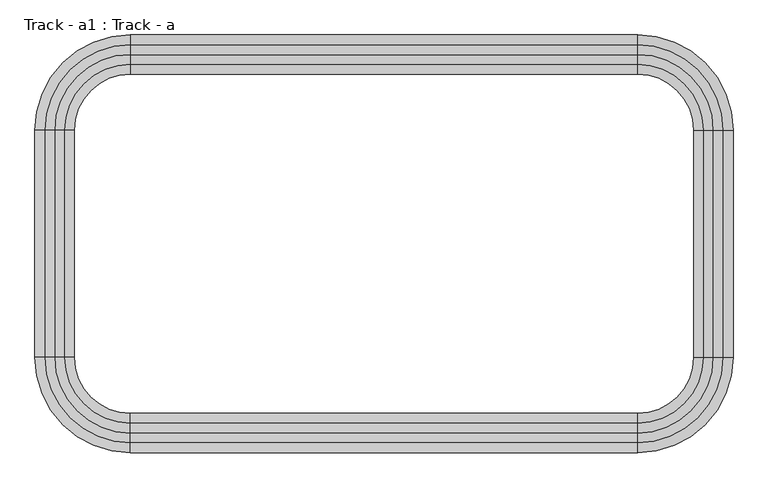
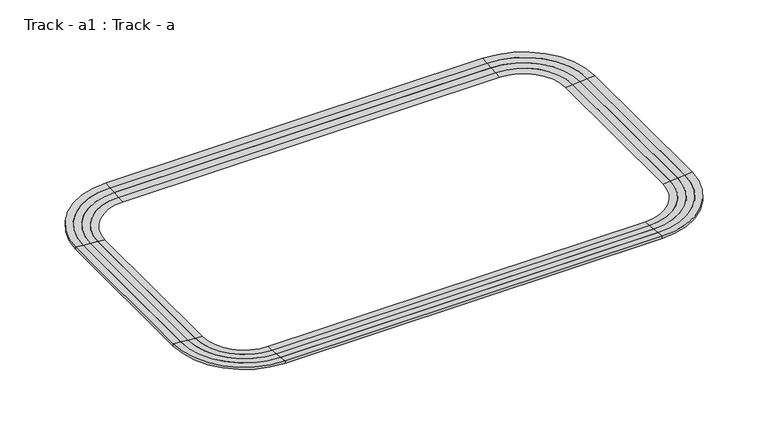
"""IFC4 building model written with IfcOpenShell, lengths in millimetres: proxy geometry, Track - a1 : Track - a."""

from ifc_helpers import new_model, si_unit, frame, origin, place, context, project, spatial, polyline, circle_curve, source, transform, mapped, element, save
from ifc_brep_helpers import plane_surface, cylinder_surface, revolved_surface, advanced_brep


def track_a1_track_a_c734c38e(model_context):
    return source(origin(), model_context, "Body", "AdvancedBrep", [
        advanced_brep(
        [(157576.6254676, -323977.8080223, 4775.2), (147213.4254676, -313614.6080223, 4775.2), (147213.4254676, -314681.4080223, 4686.3), (156509.8254676, -323977.8080223, 4686.3), (157576.6254676, -323977.8080223, 4419.6), (147213.4254676, -313614.6080223, 4419.6), (147213.4254676, -314681.4080223, 4419.6), (156509.8254676, -323977.8080223, 4419.6), (156509.8254676, -348666.6080223, 4686.3), (157576.6254676, -348666.6080223, 4775.2), (157576.6254676, -348666.6080223, 4419.6), (156509.8254676, -348666.6080223, 4419.6), (147213.4254676, -359029.8080223, 4775.2), (147213.4254676, -357963.0080223, 4686.3), (147213.4254676, -359029.8080223, 4419.6), (147213.4254676, -357963.0080223, 4419.6), (92044.6254676, -357963.0080223, 4686.3), (92044.6254676, -359029.8080223, 4775.2), (92044.6254676, -359029.8080223, 4419.6), (92044.6254676, -357963.0080223, 4419.6), (81681.4254676, -348666.6080223, 4775.2), (82748.2254676, -348666.6080223, 4686.3), (81681.4254676, -348666.6080223, 4419.6), (82748.2254676, -348666.6080223, 4419.6), (82748.2254676, -323977.8080223, 4686.3), (81681.4254676, -323977.8080223, 4775.2), (81681.4254676, -323977.8080223, 4419.6), (82748.2254676, -323977.8080223, 4419.6), (92044.6254676, -313614.6080223, 4775.2), (92044.6254676, -314681.4080223, 4686.3), (92044.6254676, -313614.6080223, 4419.6), (92044.6254676, -314681.4080223, 4419.6)],
        [
            (0, 1, circle_curve(frame((147213.4254676, -323977.8080223, 4775.2), z_axis=(0.0, 0.0, 1.0), x_axis=(0.0, 1.0, 0.0)), 10363.2)),
            (1, 2),
            (2, 3, circle_curve(frame((147213.4254676, -323977.8080223, 4686.3), z_axis=(0.0, 0.0, -1.0), x_axis=(0.0, 1.0, 0.0)), 9296.4)),
            (3, 0),
            (4, 5, circle_curve(frame((147213.4254676, -323977.8080223, 4419.6), z_axis=(0.0, 0.0, 1.0), x_axis=(0.0, 1.0, 0.0)), 10363.2)),
            (5, 1),
            (0, 4),
            (2, 6),
            (6, 7, circle_curve(frame((147213.4254676, -323977.8080223, 4419.6), z_axis=(0.0, 0.0, -1.0), x_axis=(0.0, 1.0, 0.0)), 9296.4)),
            (7, 3),
            (3, 8),
            (8, 9),
            (9, 0),
            (9, 10),
            (10, 4),
            (7, 11),
            (11, 8),
            (12, 9, circle_curve(frame((147213.4254676, -348666.6080223, 4775.2), z_axis=(0.0, 0.0, 1.0), x_axis=(1.0, 0.0, 0.0)), 10363.2)),
            (8, 13, circle_curve(frame((147213.4254676, -348666.6080223, 4686.3), z_axis=(0.0, 0.0, -1.0), x_axis=(1.0, 0.0, 0.0)), 9296.4)),
            (13, 12),
            (14, 10, circle_curve(frame((147213.4254676, -348666.6080223, 4419.6), z_axis=(0.0, 0.0, 1.0), x_axis=(1.0, 0.0, 0.0)), 10363.2)),
            (12, 14),
            (11, 15, circle_curve(frame((147213.4254676, -348666.6080223, 4419.6), z_axis=(0.0, 0.0, -1.0), x_axis=(1.0, 0.0, 0.0)), 9296.4)),
            (15, 13),
            (13, 16),
            (16, 17),
            (17, 12),
            (17, 18),
            (18, 14),
            (15, 19),
            (19, 16),
            (20, 17, circle_curve(frame((92044.6254676, -348666.6080223, 4775.2), z_axis=(0.0, 0.0, 1.0), x_axis=(0.0, -1.0, 0.0)), 10363.2)),
            (16, 21, circle_curve(frame((92044.6254676, -348666.6080223, 4686.3), z_axis=(0.0, 0.0, -1.0), x_axis=(0.0, -1.0, 0.0)), 9296.4)),
            (21, 20),
            (22, 18, circle_curve(frame((92044.6254676, -348666.6080223, 4419.6), z_axis=(0.0, 0.0, 1.0), x_axis=(0.0, -1.0, 0.0)), 10363.2)),
            (20, 22),
            (19, 23, circle_curve(frame((92044.6254676, -348666.6080223, 4419.6), z_axis=(0.0, 0.0, -1.0), x_axis=(0.0, -1.0, 0.0)), 9296.4)),
            (23, 21),
            (21, 24),
            (24, 25),
            (25, 20),
            (25, 26),
            (26, 22),
            (23, 27),
            (27, 24),
            (28, 25, circle_curve(frame((92044.6254676, -323977.8080223, 4775.2), z_axis=(0.0, 0.0, 1.0), x_axis=(-1.0, 0.0, 0.0)), 10363.2)),
            (24, 29, circle_curve(frame((92044.6254676, -323977.8080223, 4686.3), z_axis=(0.0, 0.0, -1.0), x_axis=(-1.0, 0.0, 0.0)), 9296.4)),
            (29, 28),
            (30, 26, circle_curve(frame((92044.6254676, -323977.8080223, 4419.6), z_axis=(0.0, 0.0, 1.0), x_axis=(-1.0, 0.0, 0.0)), 10363.2)),
            (28, 30),
            (27, 31, circle_curve(frame((92044.6254676, -323977.8080223, 4419.6), z_axis=(0.0, 0.0, -1.0), x_axis=(-1.0, 0.0, 0.0)), 9296.4)),
            (31, 29),
            (29, 2),
            (1, 28),
            (5, 30),
            (6, 31),
        ],
        [
            revolved_surface(polyline([(147213.4254676, -314681.4080223, 4686.3), (147213.4254676, -313614.6080223, 4775.2)]), (147213.4254676, -323977.8080223, 0.0), (0.0, 0.0, -1.0)),
            cylinder_surface(frame((147213.4254676, -323977.8080223, 0.0), z_axis=(0.0, 0.0, -1.0), x_axis=(0.0, 1.0, 0.0)), 10363.2),
            revolved_surface(polyline([(147213.4254676, -314681.4080223, 4419.6), (147213.4254676, -314681.4080223, 4686.3)]), (147213.4254676, -323977.8080223, 0.0), (0.0, 0.0, -1.0)),
            plane_surface(frame((156509.8254676, -323977.8080223, 4686.3), z_axis=(-0.08304547985373159, 0.0, 0.9965457582448803), x_axis=(0.0, -1.0, 0.0))),
            plane_surface(frame((157576.6254676, -323977.8080223, 4775.2), z_axis=(1.0, 0.0, 0.0), x_axis=(0.0, -1.0, 0.0))),
            plane_surface(frame((156509.8254676, -323977.8080223, 4419.6), z_axis=(-1.0, 0.0, 0.0), x_axis=(0.0, -1.0, 0.0))),
            revolved_surface(polyline([(156509.8254676, -348666.6080223, 4686.3), (157576.6254676, -348666.6080223, 4775.2)]), (147213.4254676, -348666.6080223, 0.0), (0.0, 0.0, -1.0)),
            cylinder_surface(frame((147213.4254676, -348666.6080223, 0.0), z_axis=(0.0, 0.0, -1.0), x_axis=(1.0, 0.0, 0.0)), 10363.2),
            revolved_surface(polyline([(156509.8254676, -348666.6080223, 4419.6), (156509.8254676, -348666.6080223, 4686.3)]), (147213.4254676, -348666.6080223, 0.0), (0.0, 0.0, -1.0)),
            plane_surface(frame((147213.4254676, -357963.0080223, 4686.3), z_axis=(0.0, 0.08304547985373159, 0.9965457582448803), x_axis=(-1.0, 0.0, 0.0))),
            plane_surface(frame((147213.4254676, -359029.8080223, 4775.2), z_axis=(0.0, -1.0, 0.0), x_axis=(-1.0, 0.0, 0.0))),
            plane_surface(frame((147213.4254676, -357963.0080223, 4419.6), z_axis=(0.0, 1.0, 0.0), x_axis=(-1.0, 0.0, 0.0))),
            revolved_surface(polyline([(92044.6254676, -357963.0080223, 4686.3), (92044.6254676, -359029.8080223, 4775.2)]), (92044.6254676, -348666.6080223, 0.0), (0.0, 0.0, -1.0)),
            cylinder_surface(frame((92044.6254676, -348666.6080223, 0.0), z_axis=(0.0, 0.0, -1.0), x_axis=(0.0, -1.0, 0.0)), 10363.2),
            revolved_surface(polyline([(92044.6254676, -357963.0080223, 4419.6), (92044.6254676, -357963.0080223, 4686.3)]), (92044.6254676, -348666.6080223, 0.0), (0.0, 0.0, -1.0)),
            plane_surface(frame((82748.2254676, -348666.6080223, 4686.3), z_axis=(0.08304547985373159, 0.0, 0.9965457582448803), x_axis=(0.0, 1.0, 0.0))),
            plane_surface(frame((81681.4254676, -348666.6080223, 4775.2), z_axis=(-1.0, 0.0, 0.0), x_axis=(0.0, 1.0, 0.0))),
            plane_surface(frame((82748.2254676, -348666.6080223, 4419.6), z_axis=(1.0, 0.0, 0.0), x_axis=(0.0, 1.0, 0.0))),
            revolved_surface(polyline([(82748.2254676, -323977.8080223, 4686.3), (81681.4254676, -323977.8080223, 4775.2)]), (92044.6254676, -323977.8080223, 0.0), (0.0, 0.0, -1.0)),
            cylinder_surface(frame((92044.6254676, -323977.8080223, 0.0), z_axis=(0.0, 0.0, -1.0), x_axis=(-1.0, 0.0, 0.0)), 10363.2),
            revolved_surface(polyline([(82748.2254676, -323977.8080223, 4419.6), (82748.2254676, -323977.8080223, 4686.3)]), (92044.6254676, -323977.8080223, 0.0), (0.0, 0.0, -1.0)),
            plane_surface(frame((92044.6254676, -314681.4080223, 4686.3), z_axis=(0.0, -0.08304547985373159, 0.9965457582448803), x_axis=(1.0, 0.0, 0.0))),
            plane_surface(frame((92044.6254676, -313614.6080223, 4775.2), z_axis=(0.0, 1.0, 0.0), x_axis=(1.0, 0.0, 0.0))),
            plane_surface(frame((92044.6254676, -313614.6080223, 4419.6), z_axis=(0.0, 0.0, -1.0), x_axis=(1.0, 0.0, 0.0))),
            plane_surface(frame((92044.6254676, -314681.4080223, 4419.6), z_axis=(0.0, -1.0, 0.0), x_axis=(1.0, 0.0, 0.0))),
        ],
        [
            (0, [[1, 2, 3, 4]]),
            (1, [[5, 6, -1, 7]]),
            (2, [[-3, 8, 9, 10]]),
            (3, [[-4, 11, 12, 13]]),
            (4, [[-7, -13, 14, 15]]),
            (5, [[-10, 16, 17, -11]]),
            (6, [[18, -12, 19, 20]]),
            (7, [[21, -14, -18, 22]]),
            (8, [[-19, -17, 23, 24]]),
            (9, [[-20, 25, 26, 27]]),
            (10, [[-22, -27, 28, 29]]),
            (11, [[-24, 30, 31, -25]]),
            (12, [[32, -26, 33, 34]]),
            (13, [[35, -28, -32, 36]]),
            (14, [[-33, -31, 37, 38]]),
            (15, [[-34, 39, 40, 41]]),
            (16, [[-36, -41, 42, 43]]),
            (17, [[-38, 44, 45, -39]]),
            (18, [[46, -40, 47, 48]]),
            (19, [[49, -42, -46, 50]]),
            (20, [[-47, -45, 51, 52]]),
            (21, [[-48, 53, -2, 54]]),
            (22, [[-50, -54, -6, 55]]),
            (23, [[-43, -49, -55, -5, -15, -21, -29, -35], [56, -51, -44, -37, -30, -23, -16, -9]]),
            (24, [[-52, -56, -8, -53]]),
        ],
    ),
        advanced_brep(
        [(156509.8254676, -323977.8080223, 4686.3), (147213.4254676, -314681.4080223, 4686.3), (147213.4254676, -315748.2080223, 4597.4), (155443.0254676, -323977.8080223, 4597.4), (156509.8254676, -323977.8080223, 4419.6), (147213.4254676, -314681.4080223, 4419.6), (147213.4254676, -315748.2080223, 4419.6), (155443.0254676, -323977.8080223, 4419.6), (155443.0254676, -348666.6080223, 4597.4), (156509.8254676, -348666.6080223, 4686.3), (156509.8254676, -348666.6080223, 4419.6), (155443.0254676, -348666.6080223, 4419.6), (147213.4254676, -357963.0080223, 4686.3), (147213.4254676, -356896.2080223, 4597.4), (147213.4254676, -357963.0080223, 4419.6), (147213.4254676, -356896.2080223, 4419.6), (92044.6254676, -356896.2080223, 4597.4), (92044.6254676, -357963.0080223, 4686.3), (92044.6254676, -357963.0080223, 4419.6), (92044.6254676, -356896.2080223, 4419.6), (82748.2254676, -348666.6080223, 4686.3), (83815.0254676, -348666.6080223, 4597.4), (82748.2254676, -348666.6080223, 4419.6), (83815.0254676, -348666.6080223, 4419.6), (83815.0254676, -323977.8080223, 4597.4), (82748.2254676, -323977.8080223, 4686.3), (82748.2254676, -323977.8080223, 4419.6), (83815.0254676, -323977.8080223, 4419.6), (92044.6254676, -314681.4080223, 4686.3), (92044.6254676, -315748.2080223, 4597.4), (92044.6254676, -314681.4080223, 4419.6), (92044.6254676, -315748.2080223, 4419.6)],
        [
            (0, 1, circle_curve(frame((147213.4254676, -323977.8080223, 4686.3), z_axis=(0.0, 0.0, 1.0), x_axis=(0.0, 1.0, 0.0)), 9296.4)),
            (1, 2),
            (2, 3, circle_curve(frame((147213.4254676, -323977.8080223, 4597.4), z_axis=(0.0, 0.0, -1.0), x_axis=(0.0, 1.0, 0.0)), 8229.6)),
            (3, 0),
            (4, 5, circle_curve(frame((147213.4254676, -323977.8080223, 4419.6), z_axis=(0.0, 0.0, 1.0), x_axis=(0.0, 1.0, 0.0)), 9296.4)),
            (5, 1),
            (0, 4),
            (2, 6),
            (6, 7, circle_curve(frame((147213.4254676, -323977.8080223, 4419.6), z_axis=(0.0, 0.0, -1.0), x_axis=(0.0, 1.0, 0.0)), 8229.6)),
            (7, 3),
            (3, 8),
            (8, 9),
            (9, 0),
            (9, 10),
            (10, 4),
            (7, 11),
            (11, 8),
            (12, 9, circle_curve(frame((147213.4254676, -348666.6080223, 4686.3), z_axis=(0.0, 0.0, 1.0), x_axis=(1.0, 0.0, 0.0)), 9296.4)),
            (8, 13, circle_curve(frame((147213.4254676, -348666.6080223, 4597.4), z_axis=(0.0, 0.0, -1.0), x_axis=(1.0, 0.0, 0.0)), 8229.6)),
            (13, 12),
            (14, 10, circle_curve(frame((147213.4254676, -348666.6080223, 4419.6), z_axis=(0.0, 0.0, 1.0), x_axis=(1.0, 0.0, 0.0)), 9296.4)),
            (12, 14),
            (11, 15, circle_curve(frame((147213.4254676, -348666.6080223, 4419.6), z_axis=(0.0, 0.0, -1.0), x_axis=(1.0, 0.0, 0.0)), 8229.6)),
            (15, 13),
            (13, 16),
            (16, 17),
            (17, 12),
            (17, 18),
            (18, 14),
            (15, 19),
            (19, 16),
            (20, 17, circle_curve(frame((92044.6254676, -348666.6080223, 4686.3), z_axis=(0.0, 0.0, 1.0), x_axis=(0.0, -1.0, 0.0)), 9296.4)),
            (16, 21, circle_curve(frame((92044.6254676, -348666.6080223, 4597.4), z_axis=(0.0, 0.0, -1.0), x_axis=(0.0, -1.0, 0.0)), 8229.6)),
            (21, 20),
            (22, 18, circle_curve(frame((92044.6254676, -348666.6080223, 4419.6), z_axis=(0.0, 0.0, 1.0), x_axis=(0.0, -1.0, 0.0)), 9296.4)),
            (20, 22),
            (19, 23, circle_curve(frame((92044.6254676, -348666.6080223, 4419.6), z_axis=(0.0, 0.0, -1.0), x_axis=(0.0, -1.0, 0.0)), 8229.6)),
            (23, 21),
            (21, 24),
            (24, 25),
            (25, 20),
            (25, 26),
            (26, 22),
            (23, 27),
            (27, 24),
            (28, 25, circle_curve(frame((92044.6254676, -323977.8080223, 4686.3), z_axis=(0.0, 0.0, 1.0), x_axis=(-1.0, 0.0, 0.0)), 9296.4)),
            (24, 29, circle_curve(frame((92044.6254676, -323977.8080223, 4597.4), z_axis=(0.0, 0.0, -1.0), x_axis=(-1.0, 0.0, 0.0)), 8229.6)),
            (29, 28),
            (30, 26, circle_curve(frame((92044.6254676, -323977.8080223, 4419.6), z_axis=(0.0, 0.0, 1.0), x_axis=(-1.0, 0.0, 0.0)), 9296.4)),
            (28, 30),
            (27, 31, circle_curve(frame((92044.6254676, -323977.8080223, 4419.6), z_axis=(0.0, 0.0, -1.0), x_axis=(-1.0, 0.0, 0.0)), 8229.6)),
            (31, 29),
            (29, 2),
            (1, 28),
            (5, 30),
            (6, 31),
        ],
        [
            revolved_surface(polyline([(147213.4254676, -315748.2080223, 4597.4), (147213.4254676, -314681.4080223, 4686.3)]), (147213.4254676, -323977.8080223, 0.0), (0.0, 0.0, -1.0)),
            cylinder_surface(frame((147213.4254676, -323977.8080223, 0.0), z_axis=(0.0, 0.0, -1.0), x_axis=(0.0, 1.0, 0.0)), 9296.4),
            revolved_surface(polyline([(147213.4254676, -315748.20802230004, 4419.6), (147213.4254676, -315748.20802230004, 4597.4)]), (147213.4254676, -323977.8080223, 0.0), (0.0, 0.0, -1.0)),
            plane_surface(frame((155443.0254676, -323977.8080223, 4597.4), z_axis=(-0.08304547985373473, 0.0, 0.9965457582448801), x_axis=(0.0, -1.0, 0.0))),
            plane_surface(frame((156509.8254676, -323977.8080223, 4686.3), z_axis=(1.0, 0.0, 0.0), x_axis=(0.0, -1.0, 0.0))),
            plane_surface(frame((155443.0254676, -323977.8080223, 4419.6), z_axis=(-1.0, 0.0, 0.0), x_axis=(0.0, -1.0, 0.0))),
            revolved_surface(polyline([(155443.0254676, -348666.6080223, 4597.4), (156509.8254676, -348666.6080223, 4686.3)]), (147213.4254676, -348666.6080223, 0.0), (0.0, 0.0, -1.0)),
            cylinder_surface(frame((147213.4254676, -348666.6080223, 0.0), z_axis=(0.0, 0.0, -1.0), x_axis=(1.0, 0.0, 0.0)), 9296.4),
            revolved_surface(polyline([(155443.0254676, -348666.6080223, 4419.6), (155443.0254676, -348666.6080223, 4597.4)]), (147213.4254676, -348666.6080223, 0.0), (0.0, 0.0, -1.0)),
            plane_surface(frame((147213.4254676, -356896.2080223, 4597.4), z_axis=(0.0, 0.08304547985373473, 0.9965457582448801), x_axis=(-1.0, 0.0, 0.0))),
            plane_surface(frame((147213.4254676, -357963.0080223, 4686.3), z_axis=(0.0, -1.0, 0.0), x_axis=(-1.0, 0.0, 0.0))),
            plane_surface(frame((147213.4254676, -356896.2080223, 4419.6), z_axis=(0.0, 1.0, 0.0), x_axis=(-1.0, 0.0, 0.0))),
            revolved_surface(polyline([(92044.6254676, -356896.2080223, 4597.4), (92044.6254676, -357963.0080223, 4686.3)]), (92044.6254676, -348666.6080223, 0.0), (0.0, 0.0, -1.0)),
            cylinder_surface(frame((92044.6254676, -348666.6080223, 0.0), z_axis=(0.0, 0.0, -1.0), x_axis=(0.0, -1.0, 0.0)), 9296.4),
            revolved_surface(polyline([(92044.6254676, -356896.2080223, 4419.6), (92044.6254676, -356896.2080223, 4597.4)]), (92044.6254676, -348666.6080223, 0.0), (0.0, 0.0, -1.0)),
            plane_surface(frame((83815.0254676, -348666.6080223, 4597.4), z_axis=(0.08304547985373473, 0.0, 0.9965457582448801), x_axis=(0.0, 1.0, 0.0))),
            plane_surface(frame((82748.2254676, -348666.6080223, 4686.3), z_axis=(-1.0, 0.0, 0.0), x_axis=(0.0, 1.0, 0.0))),
            plane_surface(frame((83815.0254676, -348666.6080223, 4419.6), z_axis=(1.0, 0.0, 0.0), x_axis=(0.0, 1.0, 0.0))),
            revolved_surface(polyline([(83815.0254676, -323977.8080223, 4597.4), (82748.2254676, -323977.8080223, 4686.3)]), (92044.6254676, -323977.8080223, 0.0), (0.0, 0.0, -1.0)),
            cylinder_surface(frame((92044.6254676, -323977.8080223, 0.0), z_axis=(0.0, 0.0, -1.0), x_axis=(-1.0, 0.0, 0.0)), 9296.4),
            revolved_surface(polyline([(83815.02546759999, -323977.8080223, 4419.6), (83815.02546759999, -323977.8080223, 4597.4)]), (92044.6254676, -323977.8080223, 0.0), (0.0, 0.0, -1.0)),
            plane_surface(frame((92044.6254676, -315748.2080223, 4597.4), z_axis=(0.0, -0.08304547985373473, 0.9965457582448801), x_axis=(1.0, 0.0, 0.0))),
            plane_surface(frame((92044.6254676, -314681.4080223, 4686.3), z_axis=(0.0, 1.0, 0.0), x_axis=(1.0, 0.0, 0.0))),
            plane_surface(frame((92044.6254676, -314681.4080223, 4419.6), z_axis=(0.0, 0.0, -1.0), x_axis=(1.0, 0.0, 0.0))),
            plane_surface(frame((92044.6254676, -315748.2080223, 4419.6), z_axis=(0.0, -1.0, 0.0), x_axis=(1.0, 0.0, 0.0))),
        ],
        [
            (0, [[1, 2, 3, 4]]),
            (1, [[5, 6, -1, 7]]),
            (2, [[-3, 8, 9, 10]]),
            (3, [[-4, 11, 12, 13]]),
            (4, [[-7, -13, 14, 15]]),
            (5, [[-10, 16, 17, -11]]),
            (6, [[18, -12, 19, 20]]),
            (7, [[21, -14, -18, 22]]),
            (8, [[-19, -17, 23, 24]]),
            (9, [[-20, 25, 26, 27]]),
            (10, [[-22, -27, 28, 29]]),
            (11, [[-24, 30, 31, -25]]),
            (12, [[32, -26, 33, 34]]),
            (13, [[35, -28, -32, 36]]),
            (14, [[-33, -31, 37, 38]]),
            (15, [[-34, 39, 40, 41]]),
            (16, [[-36, -41, 42, 43]]),
            (17, [[-38, 44, 45, -39]]),
            (18, [[46, -40, 47, 48]]),
            (19, [[49, -42, -46, 50]]),
            (20, [[-47, -45, 51, 52]]),
            (21, [[-48, 53, -2, 54]]),
            (22, [[-50, -54, -6, 55]]),
            (23, [[-43, -49, -55, -5, -15, -21, -29, -35], [56, -51, -44, -37, -30, -23, -16, -9]]),
            (24, [[-52, -56, -8, -53]]),
        ],
    ),
        advanced_brep(
        [(155443.0254676, -323977.8080223, 4597.4), (147213.4254676, -315748.2080223, 4597.4), (147213.4254676, -316815.0080223, 4508.5), (154376.2254676, -323977.8080223, 4508.5), (155443.0254676, -323977.8080223, 4419.6), (147213.4254676, -315748.2080223, 4419.6), (147213.4254676, -316815.0080223, 4419.6), (154376.2254676, -323977.8080223, 4419.6), (154376.2254676, -348666.6080223, 4508.5), (155443.0254676, -348666.6080223, 4597.4), (155443.0254676, -348666.6080223, 4419.6), (154376.2254676, -348666.6080223, 4419.6), (147213.4254676, -356896.2080223, 4597.4), (147213.4254676, -355829.4080223, 4508.5), (147213.4254676, -356896.2080223, 4419.6), (147213.4254676, -355829.4080223, 4419.6), (92044.6254676, -355829.4080223, 4508.5), (92044.6254676, -356896.2080223, 4597.4), (92044.6254676, -356896.2080223, 4419.6), (92044.6254676, -355829.4080223, 4419.6), (83815.0254676, -348666.6080223, 4597.4), (84881.8254676, -348666.6080223, 4508.5), (83815.0254676, -348666.6080223, 4419.6), (84881.8254676, -348666.6080223, 4419.6), (84881.8254676, -323977.8080223, 4508.5), (83815.0254676, -323977.8080223, 4597.4), (83815.0254676, -323977.8080223, 4419.6), (84881.8254676, -323977.8080223, 4419.6), (92044.6254676, -315748.2080223, 4597.4), (92044.6254676, -316815.0080223, 4508.5), (92044.6254676, -315748.2080223, 4419.6), (92044.6254676, -316815.0080223, 4419.6)],
        [
            (0, 1, circle_curve(frame((147213.4254676, -323977.8080223, 4597.4), z_axis=(0.0, 0.0, 1.0), x_axis=(0.0, 1.0, 0.0)), 8229.6)),
            (1, 2),
            (2, 3, circle_curve(frame((147213.4254676, -323977.8080223, 4508.5), z_axis=(0.0, 0.0, -1.0), x_axis=(0.0, 1.0, 0.0)), 7162.8)),
            (3, 0),
            (4, 5, circle_curve(frame((147213.4254676, -323977.8080223, 4419.6), z_axis=(0.0, 0.0, 1.0), x_axis=(0.0, 1.0, 0.0)), 8229.6)),
            (5, 1),
            (0, 4),
            (2, 6),
            (6, 7, circle_curve(frame((147213.4254676, -323977.8080223, 4419.6), z_axis=(0.0, 0.0, -1.0), x_axis=(0.0, 1.0, 0.0)), 7162.8)),
            (7, 3),
            (3, 8),
            (8, 9),
            (9, 0),
            (9, 10),
            (10, 4),
            (7, 11),
            (11, 8),
            (12, 9, circle_curve(frame((147213.4254676, -348666.6080223, 4597.4), z_axis=(0.0, 0.0, 1.0), x_axis=(1.0, 0.0, 0.0)), 8229.6)),
            (8, 13, circle_curve(frame((147213.4254676, -348666.6080223, 4508.5), z_axis=(0.0, 0.0, -1.0), x_axis=(1.0, 0.0, 0.0)), 7162.8)),
            (13, 12),
            (14, 10, circle_curve(frame((147213.4254676, -348666.6080223, 4419.6), z_axis=(0.0, 0.0, 1.0), x_axis=(1.0, 0.0, 0.0)), 8229.6)),
            (12, 14),
            (11, 15, circle_curve(frame((147213.4254676, -348666.6080223, 4419.6), z_axis=(0.0, 0.0, -1.0), x_axis=(1.0, 0.0, 0.0)), 7162.8)),
            (15, 13),
            (13, 16),
            (16, 17),
            (17, 12),
            (17, 18),
            (18, 14),
            (15, 19),
            (19, 16),
            (20, 17, circle_curve(frame((92044.6254676, -348666.6080223, 4597.4), z_axis=(0.0, 0.0, 1.0), x_axis=(0.0, -1.0, 0.0)), 8229.6)),
            (16, 21, circle_curve(frame((92044.6254676, -348666.6080223, 4508.5), z_axis=(0.0, 0.0, -1.0), x_axis=(0.0, -1.0, 0.0)), 7162.8)),
            (21, 20),
            (22, 18, circle_curve(frame((92044.6254676, -348666.6080223, 4419.6), z_axis=(0.0, 0.0, 1.0), x_axis=(0.0, -1.0, 0.0)), 8229.6)),
            (20, 22),
            (19, 23, circle_curve(frame((92044.6254676, -348666.6080223, 4419.6), z_axis=(0.0, 0.0, -1.0), x_axis=(0.0, -1.0, 0.0)), 7162.8)),
            (23, 21),
            (21, 24),
            (24, 25),
            (25, 20),
            (25, 26),
            (26, 22),
            (23, 27),
            (27, 24),
            (28, 25, circle_curve(frame((92044.6254676, -323977.8080223, 4597.4), z_axis=(0.0, 0.0, 1.0), x_axis=(-1.0, 0.0, 0.0)), 8229.6)),
            (24, 29, circle_curve(frame((92044.6254676, -323977.8080223, 4508.5), z_axis=(0.0, 0.0, -1.0), x_axis=(-1.0, 0.0, 0.0)), 7162.8)),
            (29, 28),
            (30, 26, circle_curve(frame((92044.6254676, -323977.8080223, 4419.6), z_axis=(0.0, 0.0, 1.0), x_axis=(-1.0, 0.0, 0.0)), 8229.6)),
            (28, 30),
            (27, 31, circle_curve(frame((92044.6254676, -323977.8080223, 4419.6), z_axis=(0.0, 0.0, -1.0), x_axis=(-1.0, 0.0, 0.0)), 7162.8)),
            (31, 29),
            (29, 2),
            (1, 28),
            (5, 30),
            (6, 31),
        ],
        [
            revolved_surface(polyline([(147213.4254676, -316815.0080223, 4508.5), (147213.4254676, -315748.2080223, 4597.4)]), (147213.4254676, -323977.8080223, 0.0), (0.0, 0.0, -1.0)),
            cylinder_surface(frame((147213.4254676, -323977.8080223, 0.0), z_axis=(0.0, 0.0, -1.0), x_axis=(0.0, 1.0, 0.0)), 8229.6),
            revolved_surface(polyline([(147213.4254676, -316815.0080223, 4419.6), (147213.4254676, -316815.0080223, 4508.5)]), (147213.4254676, -323977.8080223, 0.0), (0.0, 0.0, -1.0)),
            plane_surface(frame((154376.2254676, -323977.8080223, 4508.5), z_axis=(-0.0830454798537369, 0.0, 0.9965457582448799), x_axis=(0.0, -1.0, 0.0))),
            plane_surface(frame((155443.0254676, -323977.8080223, 4597.4), z_axis=(1.0, 0.0, 0.0), x_axis=(0.0, -1.0, 0.0))),
            plane_surface(frame((154376.2254676, -323977.8080223, 4419.6), z_axis=(-1.0, 0.0, 0.0), x_axis=(0.0, -1.0, 0.0))),
            revolved_surface(polyline([(154376.2254676, -348666.6080223, 4508.5), (155443.0254676, -348666.6080223, 4597.4)]), (147213.4254676, -348666.6080223, 0.0), (0.0, 0.0, -1.0)),
            cylinder_surface(frame((147213.4254676, -348666.6080223, 0.0), z_axis=(0.0, 0.0, -1.0), x_axis=(1.0, 0.0, 0.0)), 8229.6),
            revolved_surface(polyline([(154376.2254676, -348666.6080223, 4419.6), (154376.2254676, -348666.6080223, 4508.5)]), (147213.4254676, -348666.6080223, 0.0), (0.0, 0.0, -1.0)),
            plane_surface(frame((147213.4254676, -355829.4080223, 4508.5), z_axis=(0.0, 0.0830454798537369, 0.9965457582448799), x_axis=(-1.0, 0.0, 0.0))),
            plane_surface(frame((147213.4254676, -356896.2080223, 4597.4), z_axis=(0.0, -1.0, 0.0), x_axis=(-1.0, 0.0, 0.0))),
            plane_surface(frame((147213.4254676, -355829.4080223, 4419.6), z_axis=(0.0, 1.0, 0.0), x_axis=(-1.0, 0.0, 0.0))),
            revolved_surface(polyline([(92044.6254676, -355829.4080223, 4508.5), (92044.6254676, -356896.2080223, 4597.4)]), (92044.6254676, -348666.6080223, 0.0), (0.0, 0.0, -1.0)),
            cylinder_surface(frame((92044.6254676, -348666.6080223, 0.0), z_axis=(0.0, 0.0, -1.0), x_axis=(0.0, -1.0, 0.0)), 8229.6),
            revolved_surface(polyline([(92044.6254676, -355829.4080223, 4419.6), (92044.6254676, -355829.4080223, 4508.5)]), (92044.6254676, -348666.6080223, 0.0), (0.0, 0.0, -1.0)),
            plane_surface(frame((84881.8254676, -348666.6080223, 4508.5), z_axis=(0.0830454798537369, 0.0, 0.9965457582448799), x_axis=(0.0, 1.0, 0.0))),
            plane_surface(frame((83815.0254676, -348666.6080223, 4597.4), z_axis=(-1.0, 0.0, 0.0), x_axis=(0.0, 1.0, 0.0))),
            plane_surface(frame((84881.8254676, -348666.6080223, 4419.6), z_axis=(1.0, 0.0, 0.0), x_axis=(0.0, 1.0, 0.0))),
            revolved_surface(polyline([(84881.8254676, -323977.8080223, 4508.5), (83815.0254676, -323977.8080223, 4597.4)]), (92044.6254676, -323977.8080223, 0.0), (0.0, 0.0, -1.0)),
            cylinder_surface(frame((92044.6254676, -323977.8080223, 0.0), z_axis=(0.0, 0.0, -1.0), x_axis=(-1.0, 0.0, 0.0)), 8229.6),
            revolved_surface(polyline([(84881.82546759999, -323977.8080223, 4419.6), (84881.82546759999, -323977.8080223, 4508.5)]), (92044.6254676, -323977.8080223, 0.0), (0.0, 0.0, -1.0)),
            plane_surface(frame((92044.6254676, -316815.0080223, 4508.5), z_axis=(0.0, -0.0830454798537369, 0.9965457582448799), x_axis=(1.0, 0.0, 0.0))),
            plane_surface(frame((92044.6254676, -315748.2080223, 4597.4), z_axis=(0.0, 1.0, 0.0), x_axis=(1.0, 0.0, 0.0))),
            plane_surface(frame((92044.6254676, -315748.2080223, 4419.6), z_axis=(0.0, 0.0, -1.0), x_axis=(1.0, 0.0, 0.0))),
            plane_surface(frame((92044.6254676, -316815.0080223, 4419.6), z_axis=(0.0, -1.0, 0.0), x_axis=(1.0, 0.0, 0.0))),
        ],
        [
            (0, [[1, 2, 3, 4]]),
            (1, [[5, 6, -1, 7]]),
            (2, [[-3, 8, 9, 10]]),
            (3, [[-4, 11, 12, 13]]),
            (4, [[-7, -13, 14, 15]]),
            (5, [[-10, 16, 17, -11]]),
            (6, [[18, -12, 19, 20]]),
            (7, [[21, -14, -18, 22]]),
            (8, [[-19, -17, 23, 24]]),
            (9, [[-20, 25, 26, 27]]),
            (10, [[-22, -27, 28, 29]]),
            (11, [[-24, 30, 31, -25]]),
            (12, [[32, -26, 33, 34]]),
            (13, [[35, -28, -32, 36]]),
            (14, [[-33, -31, 37, 38]]),
            (15, [[-34, 39, 40, 41]]),
            (16, [[-36, -41, 42, 43]]),
            (17, [[-38, 44, 45, -39]]),
            (18, [[46, -40, 47, 48]]),
            (19, [[49, -42, -46, 50]]),
            (20, [[-47, -45, 51, 52]]),
            (21, [[-48, 53, -2, 54]]),
            (22, [[-50, -54, -6, 55]]),
            (23, [[-43, -49, -55, -5, -15, -21, -29, -35], [56, -51, -44, -37, -30, -23, -16, -9]]),
            (24, [[-52, -56, -8, -53]]),
        ],
    ),
        advanced_brep(
        [(154376.2254676, -323977.8080223, 4508.5), (147213.4254676, -316815.0080223, 4508.5), (147213.4254676, -317881.8080223, 4419.6), (153309.4254676, -323977.8080223, 4419.6), (154376.2254676, -323977.8080223, 4419.6), (147213.4254676, -316815.0080223, 4419.6), (153309.4254676, -348666.6080223, 4419.6), (154376.2254676, -348666.6080223, 4508.5), (154376.2254676, -348666.6080223, 4419.6), (147213.4254676, -355829.4080223, 4508.5), (147213.4254676, -354762.6080223, 4419.6), (147213.4254676, -355829.4080223, 4419.6), (92044.6254676, -354762.6080223, 4419.6), (92044.6254676, -355829.4080223, 4508.5), (92044.6254676, -355829.4080223, 4419.6), (84881.8254676, -348666.6080223, 4508.5), (85948.6254676, -348666.6080223, 4419.6), (84881.8254676, -348666.6080223, 4419.6), (85948.6254676, -323977.8080223, 4419.6), (84881.8254676, -323977.8080223, 4508.5), (84881.8254676, -323977.8080223, 4419.6), (92044.6254676, -316815.0080223, 4508.5), (92044.6254676, -317881.8080223, 4419.6), (92044.6254676, -316815.0080223, 4419.6)],
        [
            (0, 1, circle_curve(frame((147213.4254676, -323977.8080223, 4508.5), z_axis=(0.0, 0.0, 1.0), x_axis=(0.0, 1.0, 0.0)), 7162.8)),
            (1, 2),
            (2, 3, circle_curve(frame((147213.4254676, -323977.8080223, 4419.6), z_axis=(0.0, 0.0, -1.0), x_axis=(0.0, 1.0, 0.0)), 6096.0)),
            (3, 0),
            (4, 5, circle_curve(frame((147213.4254676, -323977.8080223, 4419.6), z_axis=(0.0, 0.0, 1.0), x_axis=(0.0, 1.0, 0.0)), 7162.8)),
            (5, 1),
            (0, 4),
            (3, 6),
            (6, 7),
            (7, 0),
            (7, 8),
            (8, 4),
            (9, 7, circle_curve(frame((147213.4254676, -348666.6080223, 4508.5), z_axis=(0.0, 0.0, 1.0), x_axis=(1.0, 0.0, 0.0)), 7162.8)),
            (6, 10, circle_curve(frame((147213.4254676, -348666.6080223, 4419.6), z_axis=(0.0, 0.0, -1.0), x_axis=(1.0, 0.0, 0.0)), 6096.0)),
            (10, 9),
            (11, 8, circle_curve(frame((147213.4254676, -348666.6080223, 4419.6), z_axis=(0.0, 0.0, 1.0), x_axis=(1.0, 0.0, 0.0)), 7162.8)),
            (9, 11),
            (10, 12),
            (12, 13),
            (13, 9),
            (13, 14),
            (14, 11),
            (15, 13, circle_curve(frame((92044.6254676, -348666.6080223, 4508.5), z_axis=(0.0, 0.0, 1.0), x_axis=(0.0, -1.0, 0.0)), 7162.8)),
            (12, 16, circle_curve(frame((92044.6254676, -348666.6080223, 4419.6), z_axis=(0.0, 0.0, -1.0), x_axis=(0.0, -1.0, 0.0)), 6096.0)),
            (16, 15),
            (17, 14, circle_curve(frame((92044.6254676, -348666.6080223, 4419.6), z_axis=(0.0, 0.0, 1.0), x_axis=(0.0, -1.0, 0.0)), 7162.8)),
            (15, 17),
            (16, 18),
            (18, 19),
            (19, 15),
            (19, 20),
            (20, 17),
            (21, 19, circle_curve(frame((92044.6254676, -323977.8080223, 4508.5), z_axis=(0.0, 0.0, 1.0), x_axis=(-1.0, 0.0, 0.0)), 7162.8)),
            (18, 22, circle_curve(frame((92044.6254676, -323977.8080223, 4419.6), z_axis=(0.0, 0.0, -1.0), x_axis=(-1.0, 0.0, 0.0)), 6096.0)),
            (22, 21),
            (23, 20, circle_curve(frame((92044.6254676, -323977.8080223, 4419.6), z_axis=(0.0, 0.0, 1.0), x_axis=(-1.0, 0.0, 0.0)), 7162.8)),
            (21, 23),
            (23, 5),
            (2, 22),
            (1, 21),
        ],
        [
            revolved_surface(polyline([(147213.4254676, -317881.8080223, 4419.6), (147213.4254676, -316815.0080223, 4508.5)]), (147213.4254676, -323977.8080223, 0.0), (0.0, 0.0, -1.0)),
            cylinder_surface(frame((147213.4254676, -323977.8080223, 0.0), z_axis=(0.0, 0.0, -1.0), x_axis=(0.0, 1.0, 0.0)), 7162.8),
            plane_surface(frame((153309.4254676, -323977.8080223, 4419.6), z_axis=(-0.08304547985373992, 0.0, 0.9965457582448797), x_axis=(0.0, -1.0, 0.0))),
            plane_surface(frame((154376.2254676, -323977.8080223, 4508.5), z_axis=(1.0, 0.0, 0.0), x_axis=(0.0, -1.0, 0.0))),
            revolved_surface(polyline([(153309.4254676, -348666.6080223, 4419.6), (154376.2254676, -348666.6080223, 4508.5)]), (147213.4254676, -348666.6080223, 0.0), (0.0, 0.0, -1.0)),
            cylinder_surface(frame((147213.4254676, -348666.6080223, 0.0), z_axis=(0.0, 0.0, -1.0), x_axis=(1.0, 0.0, 0.0)), 7162.8),
            plane_surface(frame((147213.4254676, -354762.6080223, 4419.6), z_axis=(0.0, 0.08304547985373992, 0.9965457582448797), x_axis=(-1.0, 0.0, 0.0))),
            plane_surface(frame((147213.4254676, -355829.4080223, 4508.5), z_axis=(0.0, -1.0, 0.0), x_axis=(-1.0, 0.0, 0.0))),
            revolved_surface(polyline([(92044.6254676, -354762.6080223, 4419.6), (92044.6254676, -355829.4080223, 4508.5)]), (92044.6254676, -348666.6080223, 0.0), (0.0, 0.0, -1.0)),
            cylinder_surface(frame((92044.6254676, -348666.6080223, 0.0), z_axis=(0.0, 0.0, -1.0), x_axis=(0.0, -1.0, 0.0)), 7162.8),
            plane_surface(frame((85948.6254676, -348666.6080223, 4419.6), z_axis=(0.08304547985373992, 0.0, 0.9965457582448797), x_axis=(0.0, 1.0, 0.0))),
            plane_surface(frame((84881.8254676, -348666.6080223, 4508.5), z_axis=(-1.0, 0.0, 0.0), x_axis=(0.0, 1.0, 0.0))),
            revolved_surface(polyline([(85948.6254676, -323977.8080223, 4419.6), (84881.8254676, -323977.8080223, 4508.5)]), (92044.6254676, -323977.8080223, 0.0), (0.0, 0.0, -1.0)),
            cylinder_surface(frame((92044.6254676, -323977.8080223, 0.0), z_axis=(0.0, 0.0, -1.0), x_axis=(-1.0, 0.0, 0.0)), 7162.8),
            plane_surface(frame((92044.6254676, -316815.0080223, 4419.6), z_axis=(0.0, 0.0, -1.0), x_axis=(1.0, 0.0, 0.0))),
            plane_surface(frame((92044.6254676, -317881.8080223, 4419.6), z_axis=(0.0, -0.08304547985373992, 0.9965457582448797), x_axis=(1.0, 0.0, 0.0))),
            plane_surface(frame((92044.6254676, -316815.0080223, 4508.5), z_axis=(0.0, 1.0, 0.0), x_axis=(1.0, 0.0, 0.0))),
        ],
        [
            (0, [[1, 2, 3, 4]]),
            (1, [[5, 6, -1, 7]]),
            (2, [[-4, 8, 9, 10]]),
            (3, [[-7, -10, 11, 12]]),
            (4, [[13, -9, 14, 15]]),
            (5, [[16, -11, -13, 17]]),
            (6, [[-15, 18, 19, 20]]),
            (7, [[-17, -20, 21, 22]]),
            (8, [[23, -19, 24, 25]]),
            (9, [[26, -21, -23, 27]]),
            (10, [[-25, 28, 29, 30]]),
            (11, [[-27, -30, 31, 32]]),
            (12, [[33, -29, 34, 35]]),
            (13, [[36, -31, -33, 37]]),
            (14, [[-32, -36, 38, -5, -12, -16, -22, -26], [39, -34, -28, -24, -18, -14, -8, -3]]),
            (15, [[-35, -39, -2, 40]]),
            (16, [[-37, -40, -6, -38]]),
        ],
    ),
    ])


if __name__ == "__main__":
    model = new_model("IFC4")
    model_context = context("Model", 3, world=origin())
    ifc_project = project(units=[si_unit("LENGTHUNIT", "METRE", prefix="MILLI")], contexts=[model_context])
    site = spatial("IfcSite", under=ifc_project)
    building = spatial("IfcBuilding", under=site)
    placement = place(None, origin())
    track_a1_track_a_shape = track_a1_track_a_c734c38e(model_context)
    element("IfcBuildingElementProxy", 1, Name="Track - a1 : Track - a", ObjectType="Track - a1 : Track - a", at=placement, inside=building, context=model_context, shape_type="MappedRepresentation", body=[
        mapped(track_a1_track_a_shape, transform((0.0, 0.0, 0.0), x_axis=(1.0, 0.0, 0.0), y_axis=(0.0, 1.0, 0.0), z_axis=(0.0, 0.0, 1.0))),
    ])
    save(model, "model.ifc")
